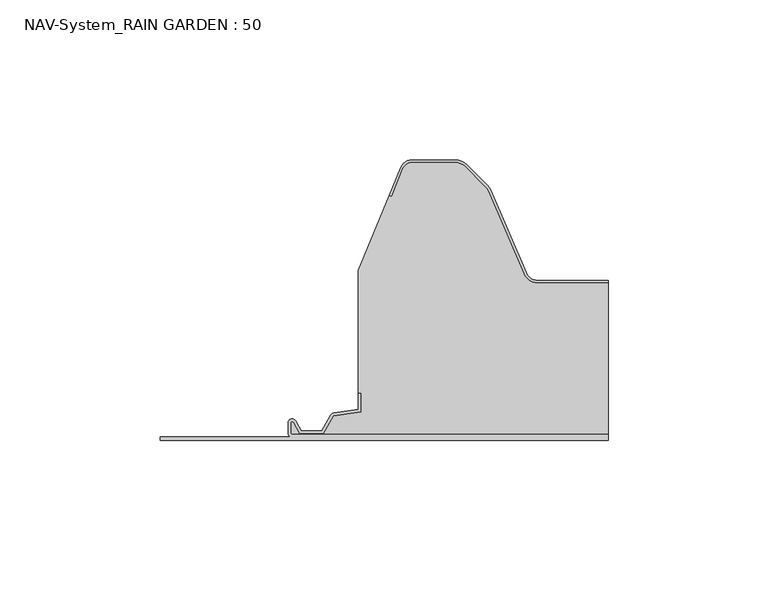
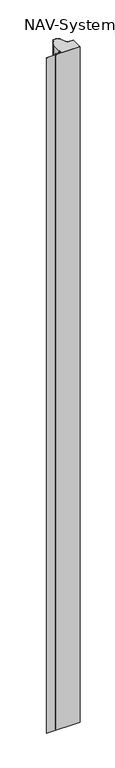
"""IFC4 building model written with IfcOpenShell, lengths in millimetres: plate geometry, NAV-System_RAIN GARDEN : 50."""

from ifc_helpers import new_model, si_unit, point, frame, frame_2d, origin, origin_with_axes, place, context, project, spatial, polyline, circle_curve, trimmed, segment, composite_curve, outline, extrude, source, transform, mapped, element, save


def nav_system_rain_garden_50_d2c56bd1(model_context):
    return source(origin(), model_context, "Body", "SweptSolid", [
        extrude(outline(composite_curve([segment(polyline([(0.0, -90.0), (0.0, 50.0), (1.8, 50.0), (1.8, -48.7)]), True, "CONTINUOUS"), segment(trimmed(circle_curve(frame_2d((2.3, -48.7)), 0.5), [point((1.8, -48.7))], [point((2.3, -49.2))], True, "CARTESIAN"), True, "CONTINUOUS"), segment(polyline([(2.3, -49.2), (5.3700191, -49.2)]), True, "CONTINUOUS"), segment(trimmed(circle_curve(frame_2d((5.3700191, -48.7)), 0.5), [point((5.3700191, -49.2))], [point((5.6200191, -48.2669873))], True, "CARTESIAN"), True, "CONTINUOUS"), segment(polyline([(5.6200191, -48.2669873), (2.2, -46.2924383), (2.2, -38.9841833), (7.6866602, -35.8164586), (8.898332, -27.2), (14.6767555, -27.2), (14.6767555, -28.0), (9.5937048, -28.0), (8.5128213, -35.6863953)]), True, "CONTINUOUS"), segment(trimmed(circle_curve(frame_2d((7.2254873, -35.5053666)), 1.3), [point((8.5128213, -35.6863953))], [point((7.8754873, -36.6311996))], False, "CARTESIAN"), True, "CONTINUOUS"), segment(polyline([(7.8754873, -36.6311996), (3.0, -39.4460636), (3.0, -45.8305581), (6.0200191, -47.574167)]), True, "CONTINUOUS"), segment(trimmed(circle_curve(frame_2d((5.3700191, -48.7)), 1.3), [point((6.0200191, -47.574167))], [point((5.3700191, -50.0))], False, "CARTESIAN"), True, "CONTINUOUS"), segment(polyline([(5.3700191, -50.0), (2.3, -50.0)]), True, "CONTINUOUS"), segment(trimmed(circle_curve(frame_2d((2.3, -48.7)), 1.3), [point((2.3, -50.0))], [point((1.0, -48.7))], False, "CARTESIAN"), True, "CONTINUOUS"), segment(polyline([(1.0, -48.7), (1.0, -90.0), (0.0, -90.0)]), True, "CONTINUOUS")], self_intersect=False)), frame((0.0, 0.0, 3000.0), z_axis=(0.0, 0.0, -1.0), x_axis=(0.0, 1.0, 0.0)), (0.0, 0.0, 1.0), 3000.0),
        extrude(outline(composite_curve([segment(polyline([(28.0709249, 49.2), (50.0, 49.2), (50.0, 1.8), (-48.7, 1.8)]), True, "CONTINUOUS"), segment(trimmed(circle_curve(frame_2d((-48.7, 2.3)), 0.5), [point((-48.7, 1.8))], [point((-49.2, 2.3))], False, "CARTESIAN"), True, "CONTINUOUS"), segment(polyline([(-49.2, 2.3), (-49.2, 5.3700191)]), True, "CONTINUOUS"), segment(trimmed(circle_curve(frame_2d((-48.7, 5.3700191)), 0.5), [point((-49.2, 5.3700191))], [point((-48.2669873, 5.6200191))], False, "CARTESIAN"), True, "CONTINUOUS"), segment(polyline([(-48.2669873, 5.6200191), (-46.2924383, 2.2), (-38.9841833, 2.2), (-35.8164586, 7.6866602), (-27.2, 8.898332), (-27.2, 14.6767555), (-28.0, 14.6767555), (-28.0, 53.053822), (-18.3696578, 76.593514), (-17.6292254, 76.2905951), (-14.1022482, 84.9116756)]), True, "CONTINUOUS"), segment(trimmed(circle_curve(frame_2d((-11.1405186, 83.7)), 3.2), [point((-14.1022482, 84.9116756))], [point((-11.1405186, 86.9))], False, "CARTESIAN"), True, "CONTINUOUS"), segment(polyline([(-11.1405186, 86.9), (2.2655335, 86.9)]), True, "CONTINUOUS"), segment(trimmed(circle_curve(frame_2d((2.2655335, 82.7)), 4.2), [point((2.2655335, 86.9))], [point((5.235382, 85.6698485))], False, "CARTESIAN"), True, "CONTINUOUS"), segment(polyline([(5.235382, 85.6698485), (11.6863603, 79.2188701)]), True, "CONTINUOUS"), segment(trimmed(circle_curve(frame_2d((8.7165118, 76.2490217)), 4.2), [point((11.6863603, 79.2188701))], [point((12.5754349, 77.9069459))], False, "CARTESIAN"), True, "CONTINUOUS"), segment(polyline([(12.5754349, 77.9069459), (23.6607271, 52.1052295)]), True, "CONTINUOUS"), segment(trimmed(circle_curve(frame_2d((28.0709249, 54.0)), 4.8), [point((23.6607271, 52.1052295))], [point((28.0709249, 49.2))], True, "CARTESIAN"), True, "CONTINUOUS")], self_intersect=False)), origin_with_axes(), (0.0, 0.0, 1.0), 3000.0),
        extrude(outline(composite_curve([segment(trimmed(circle_curve(frame_2d((-11.1408608, 83.7)), 4.0), [point((-14.8430228, 85.2145945))], [point((-11.1408608, 87.7))], False, "CARTESIAN"), True, "CONTINUOUS"), segment(polyline([(-11.1408608, 87.7), (2.2651913, 87.7)]), True, "CONTINUOUS"), segment(trimmed(circle_curve(frame_2d((2.2651913, 82.7)), 5.0), [point((2.2651913, 87.7))], [point((5.8007252, 86.2355339))], False, "CARTESIAN"), True, "CONTINUOUS"), segment(polyline([(5.8007252, 86.2355339), (12.2517035, 79.7845556)]), True, "CONTINUOUS"), segment(trimmed(circle_curve(frame_2d((8.7161696, 76.2490217)), 5.0), [point((12.2517035, 79.7845556))], [point((13.3101256, 78.2227409))], False, "CARTESIAN"), True, "CONTINUOUS"), segment(polyline([(13.3101256, 78.2227409), (24.3954178, 52.4210246)]), True, "CONTINUOUS"), segment(trimmed(circle_curve(frame_2d((28.0705827, 54.0)), 4.0), [point((24.3954178, 52.4210246))], [point((28.0705827, 50.0))], True, "CARTESIAN"), True, "CONTINUOUS"), segment(polyline([(28.0705827, 50.0), (50.0, 50.0), (50.0, 49.2), (28.0705827, 49.2)]), True, "CONTINUOUS"), segment(trimmed(circle_curve(frame_2d((28.0705827, 54.0)), 4.8), [point((28.0705827, 49.2))], [point((23.6603849, 52.1052295))], False, "CARTESIAN"), True, "CONTINUOUS"), segment(polyline([(23.6603849, 52.1052295), (12.5750927, 77.9069459)]), True, "CONTINUOUS"), segment(trimmed(circle_curve(frame_2d((8.7161696, 76.2490217)), 4.2), [point((12.5750927, 77.9069459))], [point((11.6860181, 79.2188701))], True, "CARTESIAN"), True, "CONTINUOUS"), segment(polyline([(11.6860181, 79.2188701), (5.2350397, 85.6698485)]), True, "CONTINUOUS"), segment(trimmed(circle_curve(frame_2d((2.2651913, 82.7)), 4.2), [point((5.2350397, 85.6698485))], [point((2.2651913, 86.9))], True, "CARTESIAN"), True, "CONTINUOUS"), segment(polyline([(2.2651913, 86.9), (-11.1408608, 86.9)]), True, "CONTINUOUS"), segment(trimmed(circle_curve(frame_2d((-11.1408608, 83.7)), 3.2), [point((-11.1408608, 86.9))], [point((-14.1025904, 84.9116756))], True, "CARTESIAN"), True, "CONTINUOUS"), segment(polyline([(-14.1025904, 84.9116756), (-17.6295676, 76.2905951), (-18.37, 76.593514), (-14.8430228, 85.2145945)]), True, "CONTINUOUS")], self_intersect=False)), origin_with_axes(), (0.0, 0.0, 1.0), 3000.0),
    ])


if __name__ == "__main__":
    model = new_model("IFC4")
    model_context = context("Model", 3, world=origin())
    ifc_project = project(units=[si_unit("LENGTHUNIT", "METRE", prefix="MILLI")], contexts=[model_context])
    site = spatial("IfcSite", under=ifc_project)
    building = spatial("IfcBuilding", under=site)
    placement = place(None, origin())
    nav_system_rain_garden_50_shape = nav_system_rain_garden_50_d2c56bd1(model_context)
    element("IfcPlate", 1, ObjectType="NAV-System_RAIN GARDEN : 50", at=placement, inside=building, context=model_context, shape_type="MappedRepresentation", body=[
        mapped(nav_system_rain_garden_50_shape, transform((0.0, 0.0, 0.0), x_axis=(1.0, 0.0, 0.0), y_axis=(0.0, 1.0, 0.0), z_axis=(0.0, 0.0, 1.0))),
    ])
    save(model, "model.ifc")
